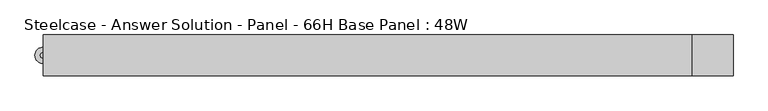
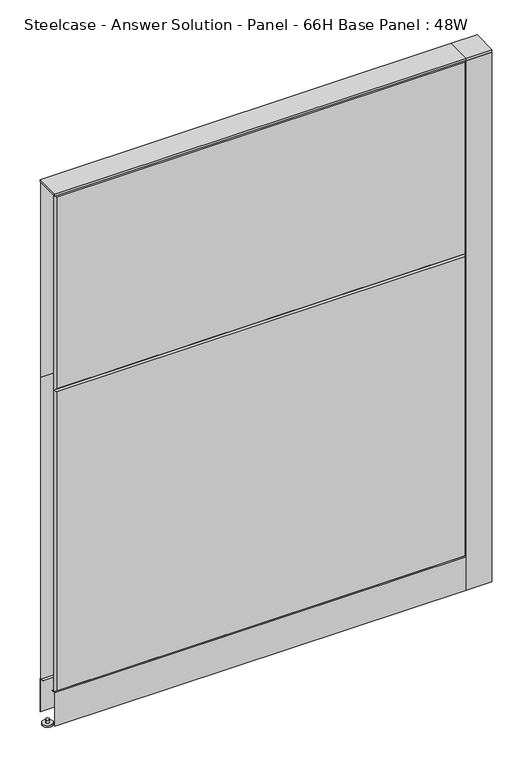
"""IFC4 building model written with IfcOpenShell, lengths in millimetres: furniture geometry, Steelcase - Answer Solution - Panel - 66H Base Panel : 48W."""

from ifc_helpers import new_model, si_unit, point, frame, frame_2d, origin, place, context, project, spatial, polyline, circle_curve, trimmed, segment, composite_curve, outline, extrude, faceted_brep, source, transform, mapped, element, save


def steelcase_answer_solution_panel_66h_base_panel_48w_5467252e(model_context):
    return source(origin(), model_context, "Body", "SolidModel", [
        extrude(outline(composite_curve([segment(trimmed(circle_curve(frame_2d((647.7, -0.0320214)), 5.08), [point((652.78, -0.0320214))], [point((642.62, -0.0320214))], False, "CARTESIAN"), True, "CONTINUOUS"), segment(trimmed(circle_curve(frame_2d((647.7, -0.0320214)), 5.08), [point((642.62, -0.0320214))], [point((652.78, -0.0320214))], False, "CARTESIAN"), True, "CONTINUOUS")], self_intersect=False)), frame((0.0, 0.0, 5.0799671), z_axis=(0.0, 0.0, 1.0), x_axis=(1.0, 0.0, 0.0)), (0.0, 0.0, 1.0), 10.414),
        extrude(outline(composite_curve([segment(trimmed(circle_curve(frame_2d((647.7, -0.0320214)), 15.24), [point((662.94, -0.0320214))], [point((632.46, -0.0320214))], False, "CARTESIAN"), True, "CONTINUOUS"), segment(trimmed(circle_curve(frame_2d((647.7, -0.0320214)), 15.24), [point((632.46, -0.0320214))], [point((662.94, -0.0320214))], False, "CARTESIAN"), True, "CONTINUOUS")], self_intersect=False)), frame((0.0, 0.0, -3.29e-05), z_axis=(0.0, 0.0, 1.0), x_axis=(1.0, 0.0, 0.0)), (0.0, 0.0, 1.0), 5.08),
        extrude(outline(polyline([(685.8, -38.1320408), (609.6, -38.1320408), (609.6, 38.0679592), (685.8, 38.0679592), (685.8, -38.1320408)])), frame((0.0, 0.0, 1675.4348), z_axis=(0.0, 0.0, 1.0), x_axis=(1.0, 0.0, 0.0)), (0.0, 0.0, 1.0), 7.3151671),
        extrude(outline(polyline([(685.8, -38.1320408), (609.6, -38.1320408), (609.6, 38.0679592), (685.8, 38.0679592), (685.8, -38.1320408)])), frame((0.0, 0.0, 15.4939671), z_axis=(0.0, 0.0, 1.0), x_axis=(1.0, 0.0, 0.0)), (0.0, 0.0, 1.0), 1659.89),
        extrude(outline(composite_curve([segment(trimmed(circle_curve(frame_2d((-609.6, -0.0320214)), 5.08), [point((-614.68, -0.0320214))], [point((-604.52, -0.0320214))], False, "CARTESIAN"), True, "CONTINUOUS"), segment(trimmed(circle_curve(frame_2d((-609.6, -0.0320214)), 5.08), [point((-604.52, -0.0320214))], [point((-614.68, -0.0320214))], False, "CARTESIAN"), True, "CONTINUOUS")], self_intersect=False)), frame((0.0, 0.0, 5.0799671), z_axis=(0.0, 0.0, 1.0), x_axis=(1.0, 0.0, 0.0)), (0.0, 0.0, 1.0), 10.414),
        extrude(outline(composite_curve([segment(trimmed(circle_curve(frame_2d((-609.6, -0.0320214)), 15.24), [point((-624.84, -0.0320214))], [point((-594.36, -0.0320214))], False, "CARTESIAN"), True, "CONTINUOUS"), segment(trimmed(circle_curve(frame_2d((-609.6, -0.0320214)), 15.24), [point((-594.36, -0.0320214))], [point((-624.84, -0.0320214))], False, "CARTESIAN"), True, "CONTINUOUS")], self_intersect=False)), frame((0.0, 0.0, -3.29e-05), z_axis=(0.0, 0.0, 1.0), x_axis=(1.0, 0.0, 0.0)), (0.0, 0.0, 1.0), 5.08),
        faceted_brep([(-604.774, -38.1635011, 1671.574), (-604.774, -38.1635011, 1071.626), (604.774, -38.1635011, 1071.626), (604.774, -38.1635011, 1671.574), (-609.6, -33.3375011, 1676.4), (609.6, -33.3375011, 1676.4), (609.6, -33.3375011, 1066.8), (-609.6, -33.3375011, 1066.8)], [[[0, 1, 2, 3]], [[4, 5, 6, 7]], [[4, 0, 3, 5]], [[5, 3, 2, 6]], [[6, 2, 1, 7]], [[7, 1, 0, 4]]]),
        faceted_brep([(-604.774, -38.1635011, 1061.974), (-604.774, -38.1635011, 125.476), (604.774, -38.1635011, 125.476), (604.774, -38.1635011, 1061.974), (-609.6, -33.3375011, 1066.8), (609.6, -33.3375011, 1066.8), (609.6, -33.3375011, 120.65), (-609.6, -33.3375011, 120.65)], [[[0, 1, 2, 3]], [[4, 5, 6, 7]], [[4, 0, 3, 5]], [[5, 3, 2, 6]], [[6, 2, 1, 7]], [[7, 1, 0, 4]]]),
        faceted_brep([(604.774, 38.1635011, 1671.574), (604.774, 38.1635011, 1071.626), (-604.774, 38.1635011, 1071.626), (-604.774, 38.1635011, 1671.574), (609.6, 33.3375011, 1676.4), (-609.6, 33.3375011, 1676.4), (-609.6, 33.3375011, 1066.8), (609.6, 33.3375011, 1066.8)], [[[0, 1, 2, 3]], [[4, 5, 6, 7]], [[4, 0, 3, 5]], [[5, 3, 2, 6]], [[6, 2, 1, 7]], [[7, 1, 0, 4]]]),
        faceted_brep([(604.774, 38.1635011, 1061.974), (604.774, 38.1635011, 125.476), (-604.774, 38.1635011, 125.476), (-604.774, 38.1635011, 1061.974), (609.6, 33.3375011, 1066.8), (-609.6, 33.3375011, 1066.8), (-609.6, 33.3375011, 120.65), (609.6, 33.3375011, 120.65)], [[[0, 1, 2, 3]], [[4, 5, 6, 7]], [[4, 0, 3, 5]], [[5, 3, 2, 6]], [[6, 2, 1, 7]], [[7, 1, 0, 4]]]),
        extrude(outline(polyline([(609.6, -38.1000194), (-609.6, -38.1000194), (-609.6, 38.1000194), (609.6, 38.1000194), (609.6, -38.1000194)])), frame((0.0, 0.0, 1676.4), z_axis=(0.0, 0.0, 1.0), x_axis=(1.0, 0.0, 0.0)), (0.0, 0.0, 1.0), 6.35),
        extrude(outline(polyline([(-25.4000011, 119.8575157), (-37.3075215, 119.8575157), (-37.3075215, 15.494), (-38.1000194, 15.494), (-38.1000194, 120.65), (-25.4000011, 120.65), (-25.4000011, 119.8575157)])), frame((-609.6, 0.0, 0.0), z_axis=(1.0, 0.0, 0.0), x_axis=(0.0, 1.0, 0.0)), (0.0, 0.0, 1.0), 1219.2),
        extrude(outline(polyline([(25.4000011, 119.8575157), (25.4000011, 120.65), (38.1000194, 120.65), (38.1000194, 15.494), (37.3075215, 15.494), (37.3075215, 119.8575157), (25.4000011, 119.8575157)])), frame((-609.6, 0.0, 0.0), z_axis=(1.0, 0.0, 0.0), x_axis=(0.0, 1.0, 0.0)), (0.0, 0.0, 1.0), 1219.2),
    ])


if __name__ == "__main__":
    model = new_model("IFC4")
    model_context = context("Model", 3, world=origin())
    ifc_project = project(units=[si_unit("LENGTHUNIT", "METRE", prefix="MILLI")], contexts=[model_context])
    site = spatial("IfcSite", under=ifc_project)
    building = spatial("IfcBuilding", under=site)
    placement = place(None, origin())
    steelcase_answer_solution_panel_66h_base_panel_48w_shape = steelcase_answer_solution_panel_66h_base_panel_48w_5467252e(model_context)
    element("IfcFurniture", 1, ObjectType="Steelcase - Answer Solution - Panel - 66H Base Panel : 48W", at=placement, inside=building, context=model_context, shape_type="MappedRepresentation", body=[
        mapped(steelcase_answer_solution_panel_66h_base_panel_48w_shape, transform((0.0, 0.0, 0.0), x_axis=(1.0, 0.0, 0.0), y_axis=(0.0, 1.0, 0.0), z_axis=(0.0, 0.0, 1.0))),
    ])
    save(model, "model.ifc")
